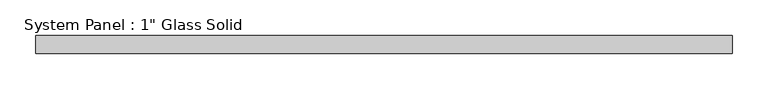
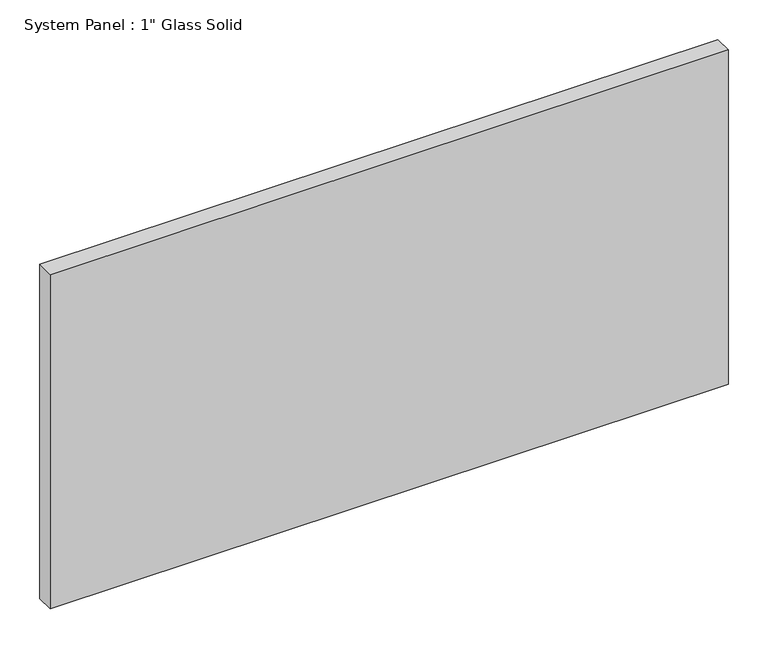
"""IFC4 building model written with IfcOpenShell, lengths in millimetres: plate geometry."""

from ifc_helpers import new_model, si_unit, origin, origin_with_axes, place, context, project, spatial, polyline, outline, extrude, source, transform, mapped, element, save


def plate_fc67a17e(model_context):
    return source(origin(), model_context, "Body", "SweptSolid", [
        extrude(outline(polyline([(490.5375, -12.7), (-490.5375, -12.7), (-490.5375, 12.7), (490.5375, 12.7), (490.5375, -12.7)])), origin_with_axes(), (0.0, 0.0, 1.0), 511.175),
    ])


if __name__ == "__main__":
    model = new_model("IFC4")
    model_context = context("Model", 3, world=origin())
    ifc_project = project(units=[si_unit("LENGTHUNIT", "METRE", prefix="MILLI")], contexts=[model_context])
    site = spatial("IfcSite", under=ifc_project)
    building = spatial("IfcBuilding", under=site)
    placement = place(None, origin())
    plate_shape = plate_fc67a17e(model_context)
    element("IfcPlate", 1, ObjectType="System Panel : 1\" Glass Solid", at=placement, inside=building, context=model_context, shape_type="MappedRepresentation", body=[
        mapped(plate_shape, transform((0.0, 0.0, 0.0), x_axis=(1.0, 0.0, 0.0), y_axis=(0.0, 1.0, 0.0), z_axis=(0.0, 0.0, 1.0))),
    ])
    save(model, "model.ifc")
